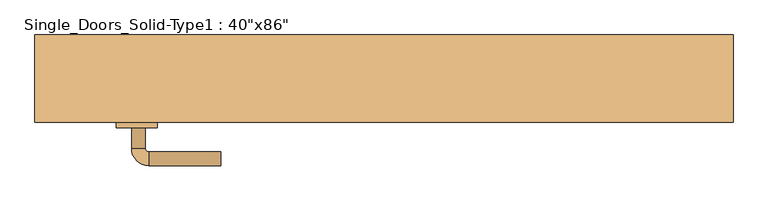
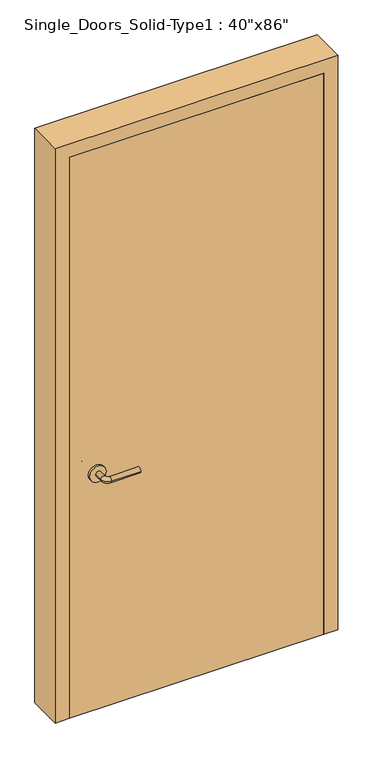
"""IFC4 building model written with IfcOpenShell, lengths in millimetres: door geometry."""

from ifc_helpers import new_model, si_unit, point, frame, frame_2d, origin, origin_with_axes, place, context, project, spatial, polyline, circle_curve, ellipse_curve, trimmed, segment, composite_curve, outline, extrude, faceted_brep, source, transform, mapped, element, save
from ifc_brep_helpers import plane_surface, cylinder_surface, revolved_surface, advanced_brep


def door_64be66c5(model_context):
    return source(origin(), model_context, "Body", "SolidModel", [
        advanced_brep(
        [(-367.2, -17.4, 900.0), (-347.2, -17.4, 900.0), (-367.2, 12.6, 900.0), (-347.2, 12.6, 900.0), (-342.2, 17.6, 900.0), (-342.2, 37.6, 900.0), (-237.2, 37.6, 900.0), (-237.2, 17.6, 900.0)],
        [
            (0, 1, circle_curve(frame((-357.2, -17.4, 900.0), z_axis=(0.0, -1.0, 0.0), x_axis=(1.0, 0.0, 0.0)), 10.0)),
            (1, 0, circle_curve(frame((-357.2, -17.4, 900.0), z_axis=(0.0, -1.0, 0.0), x_axis=(1.0, 0.0, 0.0)), 10.0)),
            (0, 2),
            (2, 3, circle_curve(frame((-357.2, 12.6, 900.0), z_axis=(0.0, -1.0, 0.0), x_axis=(1.0, 0.0, 0.0)), 10.0)),
            (3, 1),
            (3, 2, circle_curve(frame((-357.2, 12.6, 900.0), z_axis=(0.0, -1.0, 0.0), x_axis=(1.0, 0.0, 0.0)), 10.0)),
            (4, 3, circle_curve(frame((-342.2, 12.6, 900.0), z_axis=(0.0, 0.0, 1.0), x_axis=(-1.0, 0.0, 0.0)), 5.0)),
            (2, 5, circle_curve(frame((-342.2, 12.6, 900.0), z_axis=(0.0, 0.0, -1.0), x_axis=(-1.0, 0.0, 0.0)), 25.0)),
            (5, 4, circle_curve(frame((-342.2, 27.6, 900.0), z_axis=(-1.0, 0.0, 0.0), x_axis=(0.0, -1.0, 0.0)), 10.0)),
            (4, 5, circle_curve(frame((-342.2, 27.6, 900.0), z_axis=(-1.0, 0.0, 0.0), x_axis=(0.0, -1.0, 0.0)), 10.0)),
            (6, 7, circle_curve(frame((-237.2, 27.6, 900.0), z_axis=(1.0, 0.0, 0.0), x_axis=(0.0, -1.0, 0.0)), 10.0)),
            (7, 6, circle_curve(frame((-237.2, 27.6, 900.0), z_axis=(1.0, 0.0, 0.0), x_axis=(0.0, -1.0, 0.0)), 10.0)),
            (5, 6),
            (7, 4),
        ],
        [
            plane_surface(frame((-357.2, -17.4, 900.0), z_axis=(0.0, -1.0, 0.0), x_axis=(0.0, 0.0, 1.0))),
            cylinder_surface(frame((-357.2, -17.4, 900.0), z_axis=(0.0, -1.0, 0.0), x_axis=(1.0, 0.0, 0.0)), 10.0),
            revolved_surface(trimmed(ellipse_curve(frame((-357.2, 12.6, 900.0), z_axis=(0.0, -1.0, 0.0), x_axis=(1.0, 0.0, 0.0)), 10.0, 10.0), [point((-367.2, 12.6, 900.0))], [point((-347.2, 12.6, 900.0))], True, "CARTESIAN"), (-342.2, 12.6, 900.0), (0.0, 0.0, -1.0)),
            revolved_surface(trimmed(ellipse_curve(frame((-357.2, 12.6, 900.0), z_axis=(0.0, -1.0, 0.0), x_axis=(1.0, 0.0, 0.0)), 10.0, 10.0), [point((-347.2, 12.6, 900.0))], [point((-367.2, 12.6, 900.0))], True, "CARTESIAN"), (-342.2, 12.6, 900.0), (0.0, 0.0, -1.0)),
            plane_surface(frame((-237.2, 27.6, 900.0), z_axis=(1.0, 0.0, 0.0), x_axis=(0.0, 0.0, 1.0))),
            cylinder_surface(frame((-342.2, 27.6, 900.0), z_axis=(-1.0, 0.0, 0.0), x_axis=(0.0, -1.0, 0.0)), 10.0),
        ],
        [
            (0, [[1, 2]]),
            (1, [[-1, 3, 4, 5]]),
            (1, [[-2, -5, 6, -3]]),
            (2, [[7, -4, 8, 9]]),
            (3, [[-8, -6, -7, 10]]),
            (4, [[11, 12]]),
            (5, [[-9, 13, -12, 14]]),
            (5, [[-10, -14, -11, -13]]),
        ],
    ),
        extrude(outline(composite_curve([segment(trimmed(circle_curve(frame_2d((900.0, -359.7)), 30.0), [point((900.0, -389.7))], [point((900.0, -329.7))], False, "CARTESIAN"), True, "CONTINUOUS"), segment(trimmed(circle_curve(frame_2d((900.0, -359.7)), 30.0), [point((900.0, -329.7))], [point((900.0, -389.7))], False, "CARTESIAN"), True, "CONTINUOUS")], self_intersect=False)), frame((0.0, -25.4, 0.0), z_axis=(0.0, 1.0, 0.0), x_axis=(0.0, 0.0, 1.0)), (0.0, 0.0, 1.0), 8.0),
        advanced_brep(
        [(-367.2, -71.5, 900.0), (-347.2, -71.5, 900.0), (-347.2, -101.5, 900.0), (-367.2, -101.5, 900.0), (-342.2, -106.5, 900.0), (-342.2, -126.5, 900.0), (-237.2, -126.5, 900.0), (-237.2, -106.5, 900.0)],
        [
            (0, 1, circle_curve(frame((-357.2, -71.5, 900.0), z_axis=(0.0, 1.0, 0.0), x_axis=(1.0, 0.0, 0.0)), 10.0)),
            (1, 0, circle_curve(frame((-357.2, -71.5, 900.0), z_axis=(0.0, 1.0, 0.0), x_axis=(1.0, 0.0, 0.0)), 10.0)),
            (1, 2),
            (2, 3, circle_curve(frame((-357.2, -101.5, 900.0), z_axis=(0.0, 1.0, 0.0), x_axis=(1.0, 0.0, 0.0)), 10.0)),
            (3, 0),
            (3, 2, circle_curve(frame((-357.2, -101.5, 900.0), z_axis=(0.0, 1.0, 0.0), x_axis=(1.0, 0.0, 0.0)), 10.0)),
            (4, 5, circle_curve(frame((-342.2, -116.5, 900.0), z_axis=(-1.0, 0.0, 0.0), x_axis=(0.0, 1.0, 0.0)), 10.0)),
            (5, 3, circle_curve(frame((-342.2, -101.5, 900.0), z_axis=(0.0, 0.0, -1.0), x_axis=(-1.0, 0.0, 0.0)), 25.0)),
            (2, 4, circle_curve(frame((-342.2, -101.5, 900.0), z_axis=(0.0, 0.0, 1.0), x_axis=(-1.0, 0.0, 0.0)), 5.0)),
            (5, 4, circle_curve(frame((-342.2, -116.5, 900.0), z_axis=(-1.0, 0.0, 0.0), x_axis=(0.0, 1.0, 0.0)), 10.0)),
            (6, 7, circle_curve(frame((-237.2, -116.5, 900.0), z_axis=(1.0, 0.0, 0.0), x_axis=(0.0, 1.0, 0.0)), 10.0)),
            (7, 6, circle_curve(frame((-237.2, -116.5, 900.0), z_axis=(1.0, 0.0, 0.0), x_axis=(0.0, 1.0, 0.0)), 10.0)),
            (4, 7),
            (6, 5),
        ],
        [
            plane_surface(frame((-357.2, -71.5, 900.0), z_axis=(0.0, 1.0, 0.0), x_axis=(0.0, 0.0, 1.0))),
            cylinder_surface(frame((-357.2, -71.5, 900.0), z_axis=(0.0, 1.0, 0.0), x_axis=(1.0, 0.0, 0.0)), 10.0),
            revolved_surface(trimmed(ellipse_curve(frame((-357.2, -101.5, 900.0), z_axis=(0.0, -1.0, 0.0), x_axis=(1.0, 0.0, 0.0)), 10.0, 10.0), [point((-367.2, -101.5, 900.0))], [point((-347.2, -101.5, 900.0))], True, "CARTESIAN"), (-342.2, -101.5, 900.0), (0.0, 0.0, -1.0)),
            revolved_surface(trimmed(ellipse_curve(frame((-357.2, -101.5, 900.0), z_axis=(0.0, -1.0, 0.0), x_axis=(1.0, 0.0, 0.0)), 10.0, 10.0), [point((-347.2, -101.5, 900.0))], [point((-367.2, -101.5, 900.0))], True, "CARTESIAN"), (-342.2, -101.5, 900.0), (0.0, 0.0, -1.0)),
            plane_surface(frame((-237.2, -116.5, 900.0), z_axis=(1.0, 0.0, 0.0), x_axis=(0.0, 0.0, 1.0))),
            cylinder_surface(frame((-342.2, -116.5, 900.0), z_axis=(-1.0, 0.0, 0.0), x_axis=(0.0, 1.0, 0.0)), 10.0),
        ],
        [
            (0, [[1, 2]]),
            (1, [[3, 4, 5, -2]]),
            (1, [[-5, 6, -3, -1]]),
            (2, [[7, 8, -4, 9]]),
            (3, [[10, -9, -6, -8]]),
            (4, [[11, 12]]),
            (5, [[13, -11, 14, -7]]),
            (5, [[-14, -12, -13, -10]]),
        ],
    ),
        extrude(outline(composite_curve([segment(trimmed(circle_curve(frame_2d((900.0, -359.7)), 30.0), [point((900.0, -389.7))], [point((900.0, -329.7))], False, "CARTESIAN"), True, "CONTINUOUS"), segment(trimmed(circle_curve(frame_2d((900.0, -359.7)), 30.0), [point((900.0, -329.7))], [point((900.0, -389.7))], False, "CARTESIAN"), True, "CONTINUOUS")], self_intersect=False)), frame((0.0, -71.5, 0.0), z_axis=(0.0, 1.0, 0.0), x_axis=(0.0, 0.0, 1.0)), (0.0, 0.0, 1.0), 8.0),
        faceted_brep([(-508.0, 63.5, 0.0), (-457.2, 63.5, 0.0), (-457.2, 38.1, 0.0), (-444.5, 38.1, 0.0), (-444.5, -25.4, 0.0), (-457.2, -25.4, 0.0), (-457.2, -63.5, 0.0), (-508.0, -63.5, 0.0), (-508.0, -63.5, 2184.4), (-508.0, 63.5, 2184.4), (-457.2, -63.5, 2133.6), (457.2, -63.5, 2133.6), (457.2, -63.5, 0.0), (508.0, -63.5, 0.0), (508.0, -63.5, 2184.4), (-457.2, -25.4, 2133.6), (-444.5, -25.4, 2120.9), (444.5, -25.4, 2120.9), (444.5, -25.4, 0.0), (457.2, -25.4, 0.0), (457.2, -25.4, 2133.6), (-444.5, 38.1, 2120.9), (-457.2, 38.1, 2133.6), (457.2, 38.1, 2133.6), (457.2, 38.1, 0.0), (444.5, 38.1, 0.0), (444.5, 38.1, 2120.9), (-457.2, 63.5, 2133.6), (508.0, 63.5, 2184.4), (508.0, 63.5, 0.0), (457.2, 63.5, 0.0), (457.2, 63.5, 2133.6)], [[[0, 1, 2, 3, 4, 5, 6, 7]], [[7, 8, 9, 0]], [[6, 10, 11, 12, 13, 14, 8, 7]], [[5, 15, 10, 6]], [[4, 16, 17, 18, 19, 20, 15, 5]], [[3, 21, 16, 4]], [[2, 22, 23, 24, 25, 26, 21, 3]], [[1, 27, 22, 2]], [[0, 9, 28, 29, 30, 31, 27, 1]], [[14, 13, 29, 28]], [[29, 13, 12, 19, 18, 25, 24, 30]], [[20, 19, 12, 11]], [[26, 25, 18, 17]], [[31, 30, 24, 23]], [[8, 14, 28, 9]], [[15, 20, 11, 10]], [[21, 26, 17, 16]], [[27, 31, 23, 22]]]),
        extrude(outline(polyline([(457.2, -25.4), (457.2, -63.5), (-457.2, -63.5), (-457.2, -25.4), (457.2, -25.4)])), origin_with_axes(), (0.0, 0.0, 1.0), 2133.6),
    ])


if __name__ == "__main__":
    model = new_model("IFC4")
    model_context = context("Model", 3, world=origin())
    ifc_project = project(units=[si_unit("LENGTHUNIT", "METRE", prefix="MILLI")], contexts=[model_context])
    site = spatial("IfcSite", under=ifc_project)
    building = spatial("IfcBuilding", under=site)
    placement = place(None, origin())
    door_shape = door_64be66c5(model_context)
    element("IfcDoor", 1, ObjectType="Single_Doors_Solid-Type1 : 40\"x86\"", at=placement, inside=building, context=model_context, shape_type="MappedRepresentation", body=[
        mapped(door_shape, transform((0.0, 0.0, 0.0), x_axis=(1.0, 0.0, 0.0), y_axis=(0.0, 1.0, 0.0), z_axis=(0.0, 0.0, 1.0))),
    ])
    save(model, "model.ifc")
